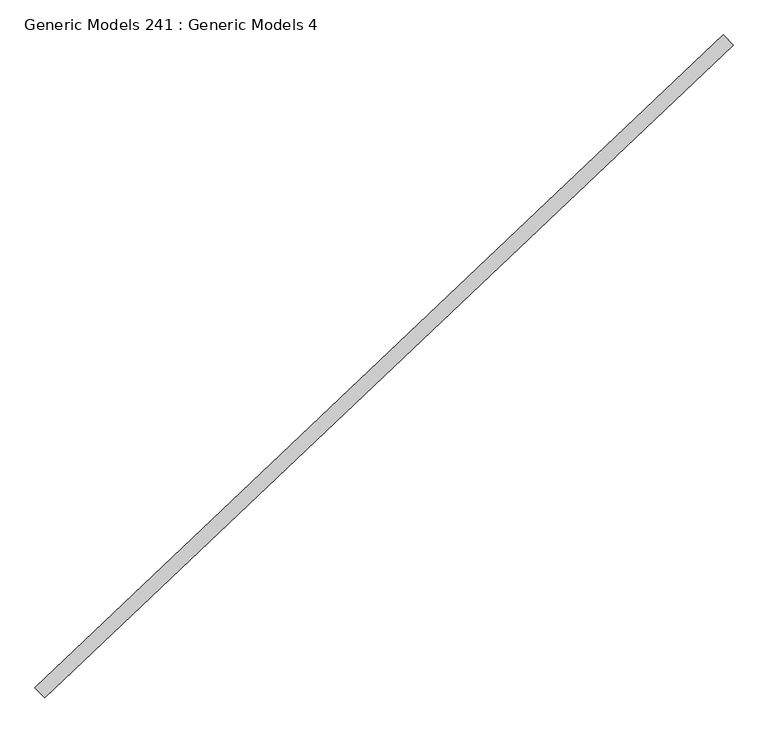
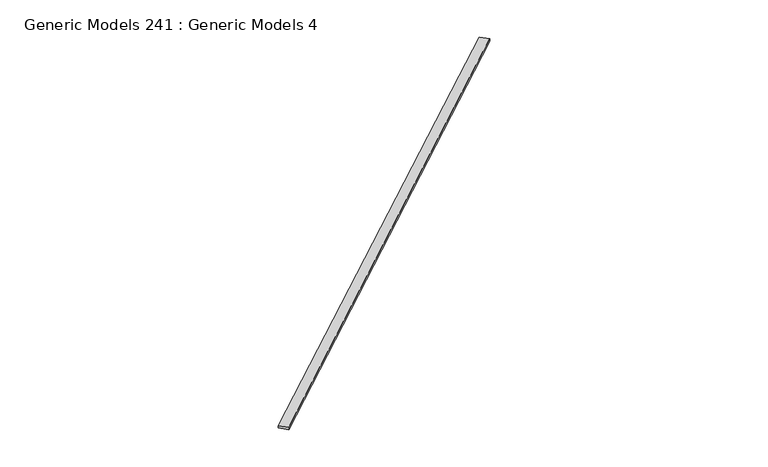
"""IFC4 building model written with IfcOpenShell, lengths in millimetres: proxy geometry, Generic Models 241 : Generic Models 4."""

from ifc_helpers import new_model, si_unit, origin, place, context, project, spatial, faceted_brep, source, transform, mapped, element, save


def generic_models_241_generic_models_4_fd6514e8(model_context):
    return source(origin(), model_context, "Body", "Brep", [
        faceted_brep([(103193.4660831, 41004.6723895, 17924.1394961), (103097.3029488, 41106.0071891, 17924.1394961), (103097.3029488, 41106.0071891, 17886.0394961), (103193.4660831, 41004.6723895, 17886.0394961), (109895.3812404, 47364.5524029, 17924.1394961), (109895.3812404, 47364.5524029, 17886.0394961), (109799.2181062, 47465.8872026, 17886.0394961), (109799.2181062, 47465.8872026, 17924.1394961), (109229.795852, 46732.9354532, 17924.1394961), (109133.6327177, 46834.2702528, 17924.1394961)], [[[0, 1, 2, 3]], [[4, 5, 6, 7]], [[0, 3, 5, 4, 8]], [[3, 2, 6, 5]], [[2, 1, 9, 7, 6]], [[1, 0, 8, 4, 7, 9]]]),
    ])


if __name__ == "__main__":
    model = new_model("IFC4")
    model_context = context("Model", 3, world=origin())
    ifc_project = project(units=[si_unit("LENGTHUNIT", "METRE", prefix="MILLI")], contexts=[model_context])
    site = spatial("IfcSite", under=ifc_project)
    building = spatial("IfcBuilding", under=site)
    placement = place(None, origin())
    generic_models_241_generic_models_4_shape = generic_models_241_generic_models_4_fd6514e8(model_context)
    element("IfcBuildingElementProxy", 1, Name="Generic Models 241 : Generic Models 4", ObjectType="Generic Models 241 : Generic Models 4", at=placement, inside=building, context=model_context, shape_type="MappedRepresentation", body=[
        mapped(generic_models_241_generic_models_4_shape, transform((0.0, 0.0, 0.0), x_axis=(1.0, 0.0, 0.0), y_axis=(0.0, 1.0, 0.0), z_axis=(0.0, 0.0, 1.0))),
    ])
    save(model, "model.ifc")
